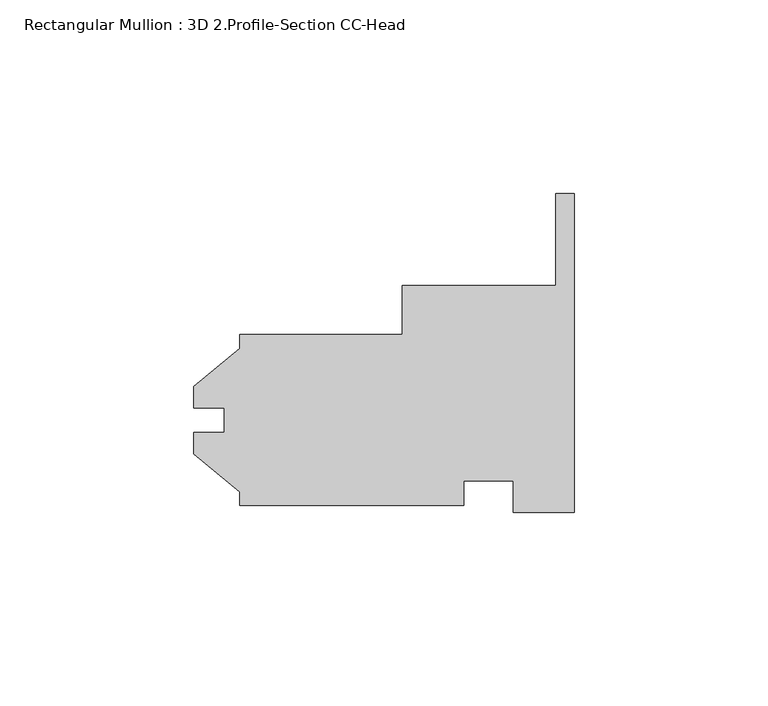
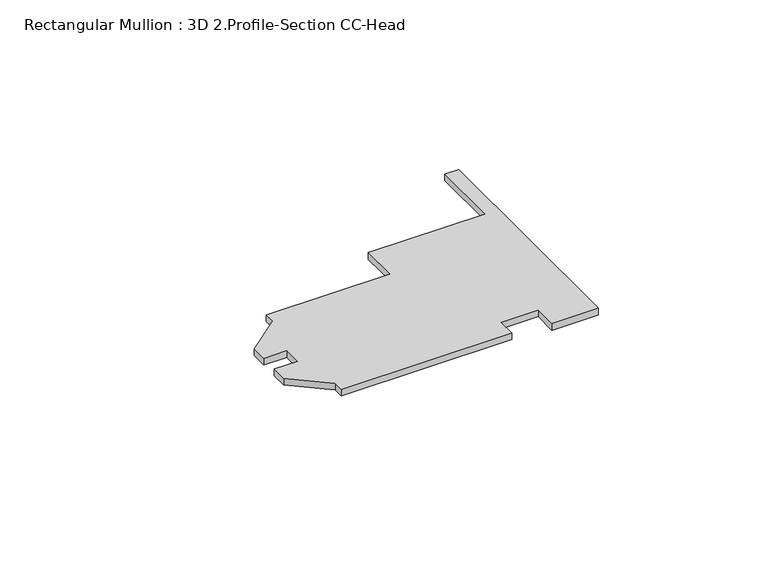
"""IFC4 building model written with IfcOpenShell, lengths in millimetres: member geometry, Rectangular Mullion : 3D 2.Profile-Section CC-Head."""

from ifc_helpers import new_model, si_unit, frame, origin, place, context, project, spatial, polyline, outline, extrude, source, transform, mapped, element, save


def rectangular_mullion_3d_2_profile_section_cc_head_bb13ae22(model_context):
    return source(origin(), model_context, "Body", "SweptSolid", [
        extrude(outline(polyline([(0.0, 58.6007021), (0.0, -23.8349979), (-15.875, -23.8349979), (-15.875, -15.7069979), (-28.575, -15.7069979), (-28.575, -22.1204979), (-86.5124, -22.1204979), (-86.5124, -18.5413339), (-98.41865, -8.7727979), (-98.41865, -3.1974979), (-90.4748, -3.1974979), (-90.4748, 3.1525021), (-98.41865, 3.1525021), (-98.41865, 8.7278021), (-86.5124, 18.4963381), (-86.5124, 22.0755021), (-44.45, 22.0755021), (-44.45, 34.7755021), (-4.7752, 34.7755021), (-4.7752, 58.6007021), (0.0, 58.6007021)])), frame((0.0, 0.0, -2.38125), z_axis=(0.0, 0.0, 1.0), x_axis=(1.0, 0.0, 0.0)), (0.0, 0.0, 1.0), 2.38125),
    ])


if __name__ == "__main__":
    model = new_model("IFC4")
    model_context = context("Model", 3, world=origin())
    ifc_project = project(units=[si_unit("LENGTHUNIT", "METRE", prefix="MILLI")], contexts=[model_context])
    site = spatial("IfcSite", under=ifc_project)
    building = spatial("IfcBuilding", under=site)
    placement = place(None, origin())
    rectangular_mullion_3d_2_profile_section_cc_head_shape = rectangular_mullion_3d_2_profile_section_cc_head_bb13ae22(model_context)
    element("IfcMember", 1, ObjectType="Rectangular Mullion : 3D 2.Profile-Section CC-Head", at=placement, inside=building, context=model_context, shape_type="MappedRepresentation", body=[
        mapped(rectangular_mullion_3d_2_profile_section_cc_head_shape, transform((0.0, 0.0, 0.0), x_axis=(1.0, 0.0, 0.0), y_axis=(0.0, 1.0, 0.0), z_axis=(0.0, 0.0, 1.0))),
    ])
    save(model, "model.ifc")
